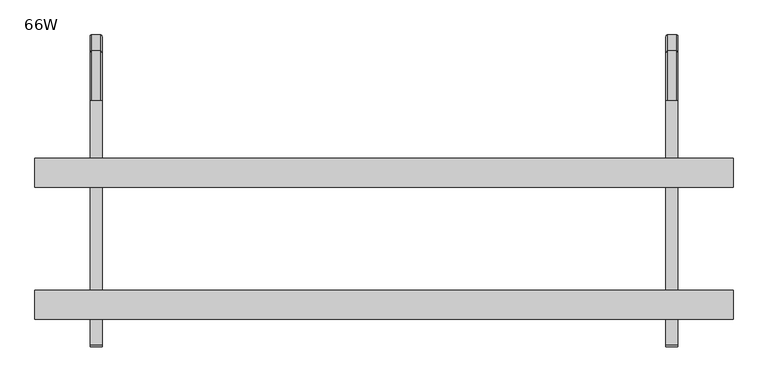
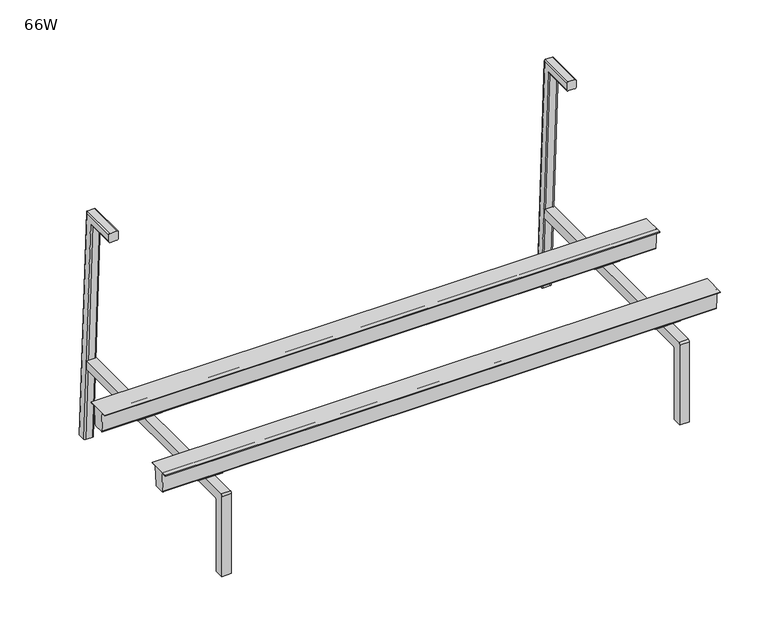
"""IFC4 building model written with IfcOpenShell, lengths in millimetres: furniture geometry, 66W."""

from ifc_helpers import new_model, si_unit, point, frame, frame_2d, origin, place, context, project, spatial, polyline, circle_curve, ellipse_curve, trimmed, segment, composite_curve, outline, extrude, source, transform, mapped, element, save
from ifc_brep_helpers import plane_surface, cylinder_surface, revolved_surface, advanced_brep


def furniture_66w_d6e8e5da(model_context):
    return source(origin(), model_context, "Body", "SolidModel", [
        advanced_brep(
        [(1577.0864869, -262.4962837, 302.386969), (99.3135131, -262.4962837, 302.386969), (99.246985, -262.4962837, 304.2920853), (1577.153015, -262.4962837, 304.2920853), (99.246985, -324.1654368, 304.2920853), (1577.153015, -324.1654368, 304.2920853), (99.3135131, -324.1654368, 302.386969), (1577.0864869, -324.1654368, 302.386969), (99.3135131, -309.9527199, 302.386969), (1577.0864869, -309.9527199, 302.386969), (99.3459283, -309.0244696, 301.4587187), (1577.0540717, -309.0244696, 301.4587187), (101.1356016, -309.0244696, 250.2091797), (1575.2643984, -309.0244696, 250.2091797), (101.2647214, -305.326963, 246.5116732), (1575.1352786, -305.326963, 246.5116732), (101.2647214, -281.5278777, 246.5116732), (1575.1352786, -281.5278777, 246.5116732), (101.1305374, -277.6853512, 250.3541997), (1575.2694626, -277.6853512, 250.3541997), (99.3489926, -277.6853512, 301.370969), (1577.0510074, -277.6853512, 301.370969), (99.3135131, -276.6693512, 302.386969), (1577.0864869, -276.6693512, 302.386969)],
        [
            (0, 1),
            (1, 2),
            (2, 3),
            (3, 0),
            (2, 4),
            (4, 5),
            (5, 3),
            (4, 6),
            (6, 7),
            (7, 5),
            (6, 8),
            (8, 9),
            (9, 7),
            (8, 10, ellipse_curve(frame((99.3459283, -309.9527199, 301.4587187), z_axis=(-0.9993908270190957, 0.0, -0.03489949670250283), x_axis=(-0.03489949670250301, 0.0, 0.9993908270190957)), 0.9288161, 0.9282503)),
            (10, 11),
            (11, 9, ellipse_curve(frame((1577.0540717, -309.9527199, 301.4587187), z_axis=(0.9993908270190958, 0.0, -0.03489949670250177), x_axis=(-0.03489949670249771, 0.0, -0.9993908270190959)), 0.9288161, 0.9282503)),
            (10, 12),
            (12, 13),
            (13, 11),
            (12, 14, ellipse_curve(frame((101.1356016, -305.326963, 250.2091797), z_axis=(0.9993908270190957, 0.0, 0.03489949670250283), x_axis=(0.03489949670250301, 0.0, -0.9993908270190957)), 3.6997604, 3.6975066)),
            (14, 15),
            (15, 13, ellipse_curve(frame((1575.2643984, -305.326963, 250.2091797), z_axis=(-0.9993908270190958, 0.0, 0.03489949670250177), x_axis=(0.03489949670249771, 0.0, 0.9993908270190959)), 3.6997604, 3.6975066)),
            (14, 16),
            (16, 17),
            (17, 15),
            (16, 18, ellipse_curve(frame((101.1305374, -281.5278777, 250.3541997), z_axis=(0.9993908270190957, 0.0, 0.03489949670250283), x_axis=(0.03489949670250301, 0.0, -0.9993908270190957)), 3.8448687, 3.8425266)),
            (18, 19),
            (19, 17, ellipse_curve(frame((1575.2694626, -281.5278777, 250.3541997), z_axis=(-0.9993908270190958, 0.0, 0.03489949670250177), x_axis=(0.03489949670249771, 0.0, 0.9993908270190959)), 3.8448687, 3.8425266)),
            (18, 20),
            (20, 21),
            (21, 19),
            (20, 22, ellipse_curve(frame((99.3489926, -276.6693512, 301.370969), z_axis=(-0.9993908270190957, 0.0, -0.03489949670250283), x_axis=(-0.03489949670250301, 0.0, 0.9993908270190957)), 1.0166193, 1.016)),
            (22, 23),
            (23, 21, ellipse_curve(frame((1577.0510074, -276.6693512, 301.370969), z_axis=(0.9993908270190958, 0.0, -0.03489949670250177), x_axis=(-0.03489949670249771, 0.0, -0.9993908270190959)), 1.0166193, 1.016)),
            (0, 23),
            (22, 1),
        ],
        [
            plane_surface(frame((1606.55, -262.4962837, 302.386969), z_axis=(0.0, 1.0, 0.0), x_axis=(-1.0, 0.0, 0.0))),
            plane_surface(frame((1606.55, -262.4962837, 304.2920853), z_axis=(0.0, 0.0, 1.0), x_axis=(-1.0, 0.0, 0.0))),
            plane_surface(frame((1606.55, -324.1654368, 304.2920853), z_axis=(0.0, -1.0, 0.0), x_axis=(-1.0, 0.0, 0.0))),
            plane_surface(frame((1606.55, -324.1654368, 302.386969), z_axis=(0.0, 0.0, -1.0), x_axis=(-1.0, 0.0, 0.0))),
            revolved_surface(polyline([(99.31351308558081, -310.8809702, 301.4587187), (1577.086486914419, -310.8809702, 301.4587187)]), (69.85, -309.9527199, 301.4587187), (-1.0, 0.0, 0.0)),
            plane_surface(frame((1606.55, -309.0244696, 301.4587187), z_axis=(0.0, -1.0, 0.0), x_axis=(-1.0, 0.0, 0.0))),
            cylinder_surface(frame((69.85, -305.326963, 250.2091797), z_axis=(1.0, 0.0, 0.0), x_axis=(0.0, -1.0, 0.0)), 3.6975066),
            plane_surface(frame((1606.55, -305.326963, 246.5116732), z_axis=(0.0, 0.0, -1.0), x_axis=(-1.0, 0.0, 0.0))),
            cylinder_surface(frame((69.85, -281.5278777, 250.3541997), z_axis=(1.0, 0.0, 0.0), x_axis=(0.0, -1.0, 0.0)), 3.8425266),
            plane_surface(frame((1606.55, -277.6853512, 250.3541997), z_axis=(0.0, 1.0, 0.0), x_axis=(-1.0, 0.0, 0.0))),
            revolved_surface(polyline([(99.31351309809196, -277.6853512, 301.370969), (1577.0864869019078, -277.6853512, 301.370969)]), (69.85, -276.6693512, 301.370969), (-1.0, 0.0, 0.0)),
            plane_surface(frame((1606.55, -276.6693512, 302.386969), z_axis=(0.0, 0.0, -1.0), x_axis=(-1.0, 0.0, 0.0))),
            plane_surface(frame((99.246985, -115.8078763, 304.2920853), z_axis=(-0.9993908270190957, 0.0, -0.03489949670250283), x_axis=(0.0, -1.0, 0.0))),
            plane_surface(frame((1573.828838, -115.8078763, 209.100109), z_axis=(0.9993908270190958, 0.0, -0.03489949670250177), x_axis=(0.0, -1.0, 0.0))),
        ],
        [
            (0, [[1, 2, 3, 4]]),
            (1, [[-3, 5, 6, 7]]),
            (2, [[-6, 8, 9, 10]]),
            (3, [[-9, 11, 12, 13]]),
            (4, [[-12, 14, 15, 16]]),
            (5, [[-15, 17, 18, 19]]),
            (6, [[-18, 20, 21, 22]]),
            (7, [[-21, 23, 24, 25]]),
            (8, [[-24, 26, 27, 28]]),
            (9, [[-27, 29, 30, 31]]),
            (10, [[-30, 32, 33, 34]]),
            (11, [[-1, 35, -33, 36]]),
            (12, [[-2, -36, -32, -29, -26, -23, -20, -17, -14, -11, -8, -5]]),
            (13, [[-4, -7, -10, -13, -16, -19, -22, -25, -28, -31, -34, -35]]),
        ],
    ),
        advanced_brep(
        [(1577.0864869, -541.7947355, 302.386969), (99.3135131, -541.7947355, 302.386969), (99.246985, -541.7947355, 304.2920853), (1577.153015, -541.7947355, 304.2920853), (99.246985, -603.4638886, 304.2920853), (1577.153015, -603.4638886, 304.2920853), (99.3135131, -603.4638886, 302.386969), (1577.0864869, -603.4638886, 302.386969), (99.3135131, -589.2511716, 302.386969), (1577.0864869, -589.2511716, 302.386969), (99.3459283, -588.3229213, 301.4587187), (1577.0540717, -588.3229213, 301.4587187), (101.1356016, -588.3229213, 250.2091797), (1575.2643984, -588.3229213, 250.2091797), (101.2647214, -584.6254147, 246.5116732), (1575.1352786, -584.6254147, 246.5116732), (101.2647214, -560.8263295, 246.5116732), (1575.1352786, -560.8263295, 246.5116732), (101.1305374, -556.9838029, 250.3541997), (1575.2694626, -556.9838029, 250.3541997), (99.3489926, -556.9838029, 301.370969), (1577.0510074, -556.9838029, 301.370969), (99.3135131, -555.9678029, 302.386969), (1577.0864869, -555.9678029, 302.386969)],
        [
            (0, 1),
            (1, 2),
            (2, 3),
            (3, 0),
            (2, 4),
            (4, 5),
            (5, 3),
            (4, 6),
            (6, 7),
            (7, 5),
            (6, 8),
            (8, 9),
            (9, 7),
            (8, 10, ellipse_curve(frame((99.3459283, -589.2511716, 301.4587187), z_axis=(-0.9993908270190957, 0.0, -0.03489949670250283), x_axis=(-0.03489949670250301, 0.0, 0.9993908270190957)), 0.9288161, 0.9282503)),
            (10, 11),
            (11, 9, ellipse_curve(frame((1577.0540717, -589.2511716, 301.4587187), z_axis=(0.9993908270190958, 0.0, -0.03489949670250177), x_axis=(-0.03489949670249771, 0.0, -0.9993908270190959)), 0.9288161, 0.9282503)),
            (10, 12),
            (12, 13),
            (13, 11),
            (12, 14, ellipse_curve(frame((101.1356016, -584.6254147, 250.2091797), z_axis=(0.9993908270190957, 0.0, 0.03489949670250283), x_axis=(0.03489949670250301, 0.0, -0.9993908270190957)), 3.6997604, 3.6975066)),
            (14, 15),
            (15, 13, ellipse_curve(frame((1575.2643984, -584.6254147, 250.2091797), z_axis=(-0.9993908270190958, 0.0, 0.03489949670250177), x_axis=(0.03489949670249771, 0.0, 0.9993908270190959)), 3.6997604, 3.6975066)),
            (14, 16),
            (16, 17),
            (17, 15),
            (16, 18, ellipse_curve(frame((101.1305374, -560.8263295, 250.3541997), z_axis=(0.9993908270190957, 0.0, 0.03489949670250283), x_axis=(0.03489949670250301, 0.0, -0.9993908270190957)), 3.8448687, 3.8425266)),
            (18, 19),
            (19, 17, ellipse_curve(frame((1575.2694626, -560.8263295, 250.3541997), z_axis=(-0.9993908270190958, 0.0, 0.03489949670250177), x_axis=(0.03489949670249771, 0.0, 0.9993908270190959)), 3.8448687, 3.8425266)),
            (18, 20),
            (20, 21),
            (21, 19),
            (20, 22, ellipse_curve(frame((99.3489926, -555.9678029, 301.370969), z_axis=(-0.9993908270190957, 0.0, -0.03489949670250283), x_axis=(-0.03489949670250301, 0.0, 0.9993908270190957)), 1.0166193, 1.016)),
            (22, 23),
            (23, 21, ellipse_curve(frame((1577.0510074, -555.9678029, 301.370969), z_axis=(0.9993908270190958, 0.0, -0.03489949670250177), x_axis=(-0.03489949670249771, 0.0, -0.9993908270190959)), 1.0166193, 1.016)),
            (0, 23),
            (22, 1),
        ],
        [
            plane_surface(frame((1606.55, -541.7947355, 302.386969), z_axis=(0.0, 1.0, 0.0), x_axis=(-1.0, 0.0, 0.0))),
            plane_surface(frame((1606.55, -541.7947355, 304.2920853), z_axis=(0.0, 0.0, 1.0), x_axis=(-1.0, 0.0, 0.0))),
            plane_surface(frame((1606.55, -603.4638886, 304.2920853), z_axis=(0.0, -1.0, 0.0), x_axis=(-1.0, 0.0, 0.0))),
            plane_surface(frame((1606.55, -603.4638886, 302.386969), z_axis=(0.0, 0.0, -1.0), x_axis=(-1.0, 0.0, 0.0))),
            revolved_surface(polyline([(99.31351308558078, -590.1794219, 301.4587187), (1577.086486914419, -590.1794219, 301.4587187)]), (838.2, -589.2511716, 301.4587187), (-1.0, 0.0, 0.0)),
            plane_surface(frame((1606.55, -588.3229213, 301.4587187), z_axis=(0.0, -1.0, 0.0), x_axis=(-1.0, 0.0, 0.0))),
            cylinder_surface(frame((838.2, -584.6254147, 250.2091797), z_axis=(1.0, 0.0, 0.0), x_axis=(0.0, -1.0, 0.0)), 3.6975066),
            plane_surface(frame((1606.55, -584.6254147, 246.5116732), z_axis=(0.0, 0.0, -1.0), x_axis=(-1.0, 0.0, 0.0))),
            cylinder_surface(frame((838.2, -560.8263295, 250.3541997), z_axis=(1.0, 0.0, 0.0), x_axis=(0.0, -1.0, 0.0)), 3.8425266),
            plane_surface(frame((1606.55, -556.9838029, 250.3541997), z_axis=(0.0, 1.0, 0.0), x_axis=(-1.0, 0.0, 0.0))),
            revolved_surface(polyline([(99.3135130980919, -556.9838029, 301.370969), (1577.0864869019078, -556.9838029, 301.370969)]), (838.2, -555.9678029, 301.370969), (-1.0, 0.0, 0.0)),
            plane_surface(frame((1606.55, -555.9678029, 302.386969), z_axis=(0.0, 0.0, -1.0), x_axis=(-1.0, 0.0, 0.0))),
            plane_surface(frame((99.246985, -115.8078763, 304.2920853), z_axis=(-0.9993908270190957, 0.0, -0.03489949670250283), x_axis=(0.0, -1.0, 0.0))),
            plane_surface(frame((1573.828838, -115.8078763, 209.100109), z_axis=(0.9993908270190958, 0.0, -0.03489949670250177), x_axis=(0.0, -1.0, 0.0))),
        ],
        [
            (0, [[1, 2, 3, 4]]),
            (1, [[-3, 5, 6, 7]]),
            (2, [[-6, 8, 9, 10]]),
            (3, [[-9, 11, 12, 13]]),
            (4, [[-12, 14, 15, 16]]),
            (5, [[-15, 17, 18, 19]]),
            (6, [[-18, 20, 21, 22]]),
            (7, [[-21, 23, 24, 25]]),
            (8, [[-24, 26, 27, 28]]),
            (9, [[-27, 29, 30, 31]]),
            (10, [[-30, 32, 33, 34]]),
            (11, [[-1, 35, -33, 36]]),
            (12, [[-2, -36, -32, -29, -26, -23, -20, -17, -14, -11, -8, -5]]),
            (13, [[-4, -7, -10, -13, -16, -19, -22, -25, -28, -31, -34, -35]]),
        ],
    ),
        extrude(outline(polyline([(195.4283329, -280.6573845), (262.1033329, -280.6573845), (262.1033329, -306.0574087), (195.4283329, -306.0574087), (195.4283329, -280.6573845)])), frame((0.0, 0.0, 244.2209457), z_axis=(0.0, 0.0, 1.0), x_axis=(1.0, 0.0, 0.0)), (0.0, 0.0, 1.0), 3.0479971),
        extrude(outline(polyline([(1414.6284298, -280.6573845), (1481.3034782, -280.6573845), (1481.3034782, -306.0574087), (1414.6284298, -306.0574087), (1414.6284298, -280.6573845)])), frame((0.0, 0.0, 244.2209215), z_axis=(0.0, 0.0, 1.0), x_axis=(1.0, 0.0, 0.0)), (0.0, 0.0, 1.0), 3.0480213),
        extrude(outline(polyline([(262.1033329, -585.4573845), (195.4283329, -585.4573845), (195.4283329, -559.9844727), (262.1033329, -559.9844727), (262.1033329, -585.4573845)])), frame((0.0, 0.0, 244.1713364), z_axis=(0.0, 0.0, 1.0), x_axis=(1.0, 0.0, 0.0)), (0.0, 0.0, 1.0), 3.0976065),
        extrude(outline(polyline([(1481.3034782, -585.4573845), (1414.6284298, -585.4573845), (1414.6284298, -559.9844727), (1481.3034782, -559.9844727), (1481.3034782, -585.4573845)])), frame((0.0, 0.0, 244.1713121), z_axis=(0.0, 0.0, 1.0), x_axis=(1.0, 0.0, 0.0)), (0.0, 0.0, 1.0), 3.0976307),
        advanced_brep(
        [(1438.656, -140.07523, 663.2784096), (1435.1, -140.07523, 659.7224096), (1435.1, -140.07523, 641.490753), (1438.656, -140.07523, 637.934753), (1456.9815341, -140.07523, 637.934753), (1460.5, -140.07523, 641.4532189), (1460.5, -140.07523, 659.8422341), (1457.0638245, -140.07523, 663.2784096), (1457.0638245, -35.6046233, 663.2784096), (1438.656, -35.6046233, 663.2784096), (1460.5, -38.865432, 659.8422341), (1460.5, -56.3159558, 641.4532189), (1460.5, -23.4408219, 14.1582936), (1460.5, -5.0770082, 15.1207003), (1456.9815341, -59.6548553, 637.934753), (1438.656, -59.6548553, 637.934753), (1435.1, -56.2803373, 641.490753), (1435.1, -38.9791413, 659.7224096), (1435.1, -5.1966685, 15.1144291), (1435.1, -23.4033392, 14.160258), (1438.656, -1.6455419, 15.3005358), (1457.0638245, -1.6455419, 15.3005358), (1456.9815341, -26.9544658, 13.9741513), (1438.656, -26.9544658, 13.9741513)],
        [
            (0, 1, circle_curve(frame((1438.656, -140.07523, 659.7224096), z_axis=(0.0, -1.0, 0.0), x_axis=(0.0, 0.0, 1.0)), 3.556)),
            (1, 2),
            (2, 3, circle_curve(frame((1438.656, -140.07523, 641.490753), z_axis=(0.0, -1.0, 0.0), x_axis=(0.0, 0.0, 1.0)), 3.556)),
            (3, 4),
            (4, 5, circle_curve(frame((1456.9815341, -140.07523, 641.4532189), z_axis=(0.0, -1.0, 0.0), x_axis=(0.0, 0.0, 1.0)), 3.5184659)),
            (5, 6),
            (6, 7, circle_curve(frame((1457.0638245, -140.07523, 659.8422341), z_axis=(0.0, -1.0, 0.0), x_axis=(0.0, 0.0, 1.0)), 3.4361755)),
            (7, 0),
            (7, 8),
            (8, 9),
            (9, 0),
            (6, 10),
            (10, 8, ellipse_curve(frame((1457.0638245, -38.865432, 659.8422341), z_axis=(0.0, -0.7253743710122881, 0.6883545756937534), x_axis=(0.0, -0.6883545756937536, -0.725374371012288)), 4.7371062, 3.4361755)),
            (5, 11),
            (11, 12),
            (12, 13),
            (13, 10),
            (4, 14),
            (14, 11, ellipse_curve(frame((1456.9815341, -56.3159558, 641.4532189), z_axis=(0.0, -0.7253743710122881, 0.6883545756937534), x_axis=(0.0, -0.6883545756937536, -0.725374371012288)), 4.8505517, 3.5184659)),
            (3, 15),
            (15, 14),
            (2, 16),
            (16, 15, ellipse_curve(frame((1438.656, -56.2803373, 641.490753), z_axis=(0.0, -0.7253743710122881, 0.6883545756937534), x_axis=(0.0, -0.6883545756937536, -0.725374371012288)), 4.9022962, 3.556)),
            (1, 17),
            (17, 18),
            (18, 19),
            (19, 16),
            (9, 17, ellipse_curve(frame((1438.656, -38.9791413, 659.7224096), z_axis=(0.0, -0.7253743710122881, 0.6883545756937534), x_axis=(0.0, -0.6883545756937536, -0.725374371012288)), 4.9022962, 3.556)),
            (20, 21),
            (21, 13, circle_curve(frame((1457.0638245, -5.0770082, 15.1207003), z_axis=(0.0, 0.0523359562429453, -0.9986295347545738), x_axis=(0.0, 0.9986295347545738, 0.0523359562429453)), 3.4361755)),
            (12, 22, circle_curve(frame((1456.9815341, -23.4408219, 14.1582936), z_axis=(0.0, 0.0523359562429453, -0.9986295347545738), x_axis=(0.0, 0.9986295347545738, 0.0523359562429453)), 3.5184659)),
            (22, 23),
            (23, 19, circle_curve(frame((1438.656, -23.4033392, 14.160258), z_axis=(0.0, 0.0523359562429453, -0.9986295347545738), x_axis=(0.0, 0.9986295347545738, 0.0523359562429453)), 3.556)),
            (18, 20, circle_curve(frame((1438.656, -5.1966685, 15.1144291), z_axis=(0.0, 0.0523359562429453, -0.9986295347545738), x_axis=(0.0, 0.9986295347545738, 0.0523359562429453)), 3.556)),
            (8, 21),
            (20, 9),
            (14, 22),
            (15, 23),
        ],
        [
            plane_surface(frame((1460.5, -140.07523, 663.2784096), z_axis=(0.0, -1.0, 0.0), x_axis=(1.0, 0.0, 0.0))),
            plane_surface(frame((1457.0638245, -140.07523, 663.2784096), z_axis=(0.0, 0.0, 1.0), x_axis=(0.0, 1.0, 0.0))),
            cylinder_surface(frame((1457.0638245, -140.07523, 659.8422341), z_axis=(0.0, -1.0, 0.0), x_axis=(0.0, 0.0, 1.0)), 3.4361755),
            plane_surface(frame((1460.5, -140.07523, 641.4532189), z_axis=(1.0, 0.0, 0.0), x_axis=(0.0, 1.0, 0.0))),
            cylinder_surface(frame((1456.9815341, -140.07523, 641.4532189), z_axis=(0.0, -1.0, 0.0), x_axis=(0.0, 0.0, 1.0)), 3.5184659),
            plane_surface(frame((1438.656, -140.07523, 637.934753), z_axis=(0.0, 0.0, -1.0), x_axis=(0.0, 1.0, 0.0))),
            cylinder_surface(frame((1438.656, -140.07523, 641.490753), z_axis=(0.0, -1.0, 0.0), x_axis=(0.0, 0.0, 1.0)), 3.556),
            plane_surface(frame((1435.1, -140.07523, 659.7224096), z_axis=(-1.0, 0.0, 0.0), x_axis=(0.0, 1.0, 0.0))),
            cylinder_surface(frame((1438.656, -140.07523, 659.7224096), z_axis=(0.0, -1.0, 0.0), x_axis=(0.0, 0.0, 1.0)), 3.556),
            plane_surface(frame((1460.5, -1.6455419, 15.3005358), z_axis=(0.0, 0.0523359562429453, -0.9986295347545738), x_axis=(1.0, 0.0, 0.0))),
            plane_surface(frame((1457.0638245, -35.6046233, 663.2784096), z_axis=(0.0, 0.9986295347545738, 0.05233595624294529), x_axis=(0.0, 0.05233595624294529, -0.9986295347545738))),
            cylinder_surface(frame((1457.0638245, -39.0360896, 663.098574), z_axis=(0.0, -0.0523359562429453, 0.9986295347545738), x_axis=(0.0, 0.9986295347545738, 0.0523359562429453)), 3.4361755),
            cylinder_surface(frame((1456.9815341, -57.3999032, 662.1361674), z_axis=(0.0, -0.0523359562429453, 0.9986295347545738), x_axis=(0.0, 0.9986295347545738, 0.0523359562429453)), 3.5184659),
            plane_surface(frame((1438.656, -59.6548553, 637.934753), z_axis=(0.0, -0.9986295347545738, -0.05233595624294529), x_axis=(0.0, 0.05233595624294529, -0.9986295347545738))),
            cylinder_surface(frame((1438.656, -57.3624206, 662.1381317), z_axis=(0.0, -0.0523359562429453, 0.9986295347545738), x_axis=(0.0, 0.9986295347545738, 0.0523359562429453)), 3.556),
            cylinder_surface(frame((1438.656, -39.1557499, 663.0923029), z_axis=(0.0, -0.0523359562429453, 0.9986295347545738), x_axis=(0.0, 0.9986295347545738, 0.0523359562429453)), 3.556),
        ],
        [
            (0, [[1, 2, 3, 4, 5, 6, 7, 8]]),
            (1, [[-8, 9, 10, 11]]),
            (2, [[-7, 12, 13, -9]]),
            (3, [[-6, 14, 15, 16, 17, -12]]),
            (4, [[-5, 18, 19, -14]]),
            (5, [[-4, 20, 21, -18]]),
            (6, [[-3, 22, 23, -20]]),
            (7, [[-2, 24, 25, 26, 27, -22]]),
            (8, [[-1, -11, 28, -24]]),
            (9, [[29, 30, -16, 31, 32, 33, -26, 34]]),
            (10, [[-10, 35, -29, 36]]),
            (11, [[-13, -17, -30, -35]]),
            (12, [[-19, 37, -31, -15]]),
            (13, [[-21, 38, -32, -37]]),
            (14, [[-23, -27, -33, -38]]),
            (15, [[-28, -36, -34, -25]]),
        ],
    ),
        advanced_brep(
        [(237.744, -140.07523, 663.2784096), (219.3361755, -140.07523, 663.2784096), (215.9, -140.07523, 659.8422341), (215.9, -140.07523, 641.4532189), (219.4184659, -140.07523, 637.934753), (237.744, -140.07523, 637.934753), (241.3, -140.07523, 641.490753), (241.3, -140.07523, 659.7224096), (237.744, -35.6046233, 663.2784096), (219.3361755, -35.6046233, 663.2784096), (215.9, -38.865432, 659.8422341), (215.9, -5.0770082, 15.1207003), (215.9, -23.4408219, 14.1582936), (215.9, -56.3159558, 641.4532189), (219.4184659, -59.6548553, 637.934753), (237.744, -59.6548553, 637.934753), (241.3, -56.2803373, 641.490753), (241.3, -23.4033392, 14.160258), (241.3, -5.1966685, 15.1144291), (241.3, -38.9791413, 659.7224096), (237.744, -1.6455419, 15.3005358), (237.744, -26.9544658, 13.9741513), (219.4184659, -26.9544658, 13.9741513), (219.3361755, -1.6455419, 15.3005358)],
        [
            (0, 1),
            (1, 2, circle_curve(frame((219.3361755, -140.07523, 659.8422341), z_axis=(0.0, -1.0, 0.0), x_axis=(0.0, 0.0, -1.0)), 3.4361755)),
            (2, 3),
            (3, 4, circle_curve(frame((219.4184659, -140.07523, 641.4532189), z_axis=(0.0, -1.0, 0.0), x_axis=(0.0, 0.0, -1.0)), 3.5184659)),
            (4, 5),
            (5, 6, circle_curve(frame((237.744, -140.07523, 641.490753), z_axis=(0.0, -1.0, 0.0), x_axis=(0.0, 0.0, -1.0)), 3.556)),
            (6, 7),
            (7, 0, circle_curve(frame((237.744, -140.07523, 659.7224096), z_axis=(0.0, -1.0, 0.0), x_axis=(0.0, 0.0, -1.0)), 3.556)),
            (0, 8),
            (8, 9),
            (9, 1),
            (9, 10, ellipse_curve(frame((219.3361755, -38.865432, 659.8422341), z_axis=(0.0, -0.7253743710122893, 0.6883545756937522), x_axis=(0.0, -0.6883545756937522, -0.7253743710122893)), 4.7371062, 3.4361755)),
            (10, 2),
            (10, 11),
            (11, 12),
            (12, 13),
            (13, 3),
            (13, 14, ellipse_curve(frame((219.4184659, -56.3159558, 641.4532189), z_axis=(0.0, -0.7253743710122893, 0.6883545756937522), x_axis=(0.0, -0.6883545756937522, -0.7253743710122893)), 4.8505517, 3.5184659)),
            (14, 4),
            (14, 15),
            (15, 5),
            (15, 16, ellipse_curve(frame((237.744, -56.2803373, 641.490753), z_axis=(0.0, -0.7253743710122893, 0.6883545756937522), x_axis=(0.0, -0.6883545756937522, -0.7253743710122893)), 4.9022962, 3.556)),
            (16, 6),
            (16, 17),
            (17, 18),
            (18, 19),
            (19, 7),
            (19, 8, ellipse_curve(frame((237.744, -38.9791413, 659.7224096), z_axis=(0.0, -0.7253743710122893, 0.6883545756937522), x_axis=(0.0, -0.6883545756937522, -0.7253743710122893)), 4.9022962, 3.556)),
            (20, 18, circle_curve(frame((237.744, -5.1966685, 15.1144291), z_axis=(0.0, 0.05233595624294532, -0.9986295347545738), x_axis=(0.0, -0.9986295347545738, -0.05233595624294532)), 3.556)),
            (17, 21, circle_curve(frame((237.744, -23.4033392, 14.160258), z_axis=(0.0, 0.05233595624294532, -0.9986295347545738), x_axis=(0.0, -0.9986295347545738, -0.05233595624294532)), 3.556)),
            (21, 22),
            (22, 12, circle_curve(frame((219.4184659, -23.4408219, 14.1582936), z_axis=(0.0, 0.05233595624294532, -0.9986295347545738), x_axis=(0.0, -0.9986295347545738, -0.05233595624294532)), 3.5184659)),
            (11, 23, circle_curve(frame((219.3361755, -5.0770082, 15.1207003), z_axis=(0.0, 0.05233595624294532, -0.9986295347545738), x_axis=(0.0, -0.9986295347545738, -0.05233595624294532)), 3.4361755)),
            (23, 20),
            (8, 20),
            (23, 9),
            (22, 14),
            (21, 15),
        ],
        [
            plane_surface(frame((215.9, -140.07523, 663.2784096), z_axis=(0.0, -1.0, 0.0), x_axis=(-1.0, 0.0, 0.0))),
            plane_surface(frame((237.744, -140.07523, 663.2784096), z_axis=(0.0, 0.0, 1.0), x_axis=(0.0, 1.0, 0.0))),
            cylinder_surface(frame((219.3361755, -140.07523, 659.8422341), z_axis=(0.0, -1.0, 0.0), x_axis=(0.0, 0.0, -1.0)), 3.4361755),
            plane_surface(frame((215.9, -140.07523, 659.8422341), z_axis=(-1.0, 0.0, 0.0), x_axis=(0.0, 1.0, 0.0))),
            cylinder_surface(frame((219.4184659, -140.07523, 641.4532189), z_axis=(0.0, -1.0, 0.0), x_axis=(0.0, 0.0, -1.0)), 3.5184659),
            plane_surface(frame((219.4184659, -140.07523, 637.934753), z_axis=(0.0, 0.0, -1.0), x_axis=(0.0, 1.0, 0.0))),
            cylinder_surface(frame((237.744, -140.07523, 641.490753), z_axis=(0.0, -1.0, 0.0), x_axis=(0.0, 0.0, -1.0)), 3.556),
            plane_surface(frame((241.3, -140.07523, 641.490753), z_axis=(1.0, 0.0, 0.0), x_axis=(0.0, 1.0, 0.0))),
            cylinder_surface(frame((237.744, -140.07523, 659.7224096), z_axis=(0.0, -1.0, 0.0), x_axis=(0.0, 0.0, -1.0)), 3.556),
            plane_surface(frame((215.9, -1.6455419, 15.3005358), z_axis=(0.0, 0.05233595624294531, -0.9986295347545738), x_axis=(-1.0, 0.0, 0.0))),
            plane_surface(frame((237.744, -35.6046233, 663.2784096), z_axis=(0.0, 0.9986295347545738, 0.05233595624294531), x_axis=(0.0, 0.05233595624294531, -0.9986295347545738))),
            cylinder_surface(frame((219.3361755, -39.0360896, 663.098574), z_axis=(0.0, -0.05233595624294532, 0.9986295347545738), x_axis=(0.0, -0.9986295347545738, -0.05233595624294532)), 3.4361755),
            cylinder_surface(frame((219.4184659, -57.3999032, 662.1361674), z_axis=(0.0, -0.05233595624294532, 0.9986295347545738), x_axis=(0.0, -0.9986295347545738, -0.05233595624294532)), 3.5184659),
            plane_surface(frame((219.4184659, -59.6548553, 637.934753), z_axis=(0.0, -0.9986295347545738, -0.05233595624294525), x_axis=(0.0, 0.05233595624294525, -0.9986295347545738))),
            cylinder_surface(frame((237.744, -57.3624206, 662.1381317), z_axis=(0.0, -0.05233595624294532, 0.9986295347545738), x_axis=(0.0, -0.9986295347545738, -0.05233595624294532)), 3.556),
            cylinder_surface(frame((237.744, -39.1557499, 663.0923029), z_axis=(0.0, -0.05233595624294532, 0.9986295347545738), x_axis=(0.0, -0.9986295347545738, -0.05233595624294532)), 3.556),
        ],
        [
            (0, [[1, 2, 3, 4, 5, 6, 7, 8]]),
            (1, [[-1, 9, 10, 11]]),
            (2, [[-2, -11, 12, 13]]),
            (3, [[-3, -13, 14, 15, 16, 17]]),
            (4, [[-4, -17, 18, 19]]),
            (5, [[-5, -19, 20, 21]]),
            (6, [[-6, -21, 22, 23]]),
            (7, [[-7, -23, 24, 25, 26, 27]]),
            (8, [[-8, -27, 28, -9]]),
            (9, [[29, -25, 30, 31, 32, -15, 33, 34]]),
            (10, [[-10, 35, -34, 36]]),
            (11, [[-12, -36, -33, -14]]),
            (12, [[-18, -16, -32, 37]]),
            (13, [[-20, -37, -31, 38]]),
            (14, [[-22, -38, -30, -24]]),
            (15, [[-28, -26, -29, -35]]),
        ],
    ),
        extrude(outline(composite_curve([segment(polyline([(-662.1146725, 14.1031489), (-662.1146725, 239.2936032)]), True, "CONTINUOUS"), segment(trimmed(circle_curve(frame_2d((-657.234081, 239.2936032)), 4.8805915), [point((-662.1146725, 239.2936032))], [point((-657.234081, 244.1741947))], False, "CARTESIAN"), True, "CONTINUOUS"), segment(polyline([(-657.234081, 244.1741947), (-39.0060493, 244.1741947), (-37.7444469, 218.7742432), (-633.6487025, 218.7742432)]), True, "CONTINUOUS"), segment(trimmed(circle_curve(frame_2d((-633.6487025, 215.7082732)), 3.06597), [point((-633.6487025, 218.7742432))], [point((-636.7146725, 215.7082732))], True, "CARTESIAN"), True, "CONTINUOUS"), segment(polyline([(-636.7146725, 215.7082732), (-636.7146725, 14.1031489), (-662.1146725, 14.1031489)]), True, "CONTINUOUS")], self_intersect=False)), frame((215.9, 0.0, 0.0), z_axis=(1.0, 0.0, 0.0), x_axis=(0.0, 1.0, 0.0)), (0.0, 0.0, 1.0), 25.4),
        extrude(outline(composite_curve([segment(polyline([(-662.1146725, 14.1031489), (-662.1146725, 239.2936032)]), True, "CONTINUOUS"), segment(trimmed(circle_curve(frame_2d((-657.234081, 239.2936032)), 4.8805915), [point((-662.1146725, 239.2936032))], [point((-657.234081, 244.1741947))], False, "CARTESIAN"), True, "CONTINUOUS"), segment(polyline([(-657.234081, 244.1741947), (-39.0060493, 244.1741947), (-37.7444469, 218.7742432), (-633.6487025, 218.7742432)]), True, "CONTINUOUS"), segment(trimmed(circle_curve(frame_2d((-633.6487025, 215.7082732)), 3.06597), [point((-633.6487025, 218.7742432))], [point((-636.7146725, 215.7082732))], True, "CARTESIAN"), True, "CONTINUOUS"), segment(polyline([(-636.7146725, 215.7082732), (-636.7146725, 14.1031489), (-662.1146725, 14.1031489)]), True, "CONTINUOUS")], self_intersect=False)), frame((1435.1, 0.0, 0.0), z_axis=(1.0, 0.0, 0.0), x_axis=(0.0, 1.0, 0.0)), (0.0, 0.0, 1.0), 25.4),
    ])


if __name__ == "__main__":
    model = new_model("IFC4")
    model_context = context("Model", 3, world=origin())
    ifc_project = project(units=[si_unit("LENGTHUNIT", "METRE", prefix="MILLI")], contexts=[model_context])
    site = spatial("IfcSite", under=ifc_project)
    building = spatial("IfcBuilding", under=site)
    placement = place(None, origin())
    furniture_66w_shape = furniture_66w_d6e8e5da(model_context)
    element("IfcFurniture", 1, ObjectType="66W", at=placement, inside=building, context=model_context, shape_type="MappedRepresentation", body=[
        mapped(furniture_66w_shape, transform((0.0, 0.0, 0.0), x_axis=(1.0, 0.0, 0.0), y_axis=(0.0, 1.0, 0.0), z_axis=(0.0, 0.0, 1.0))),
    ])
    save(model, "model.ifc")
